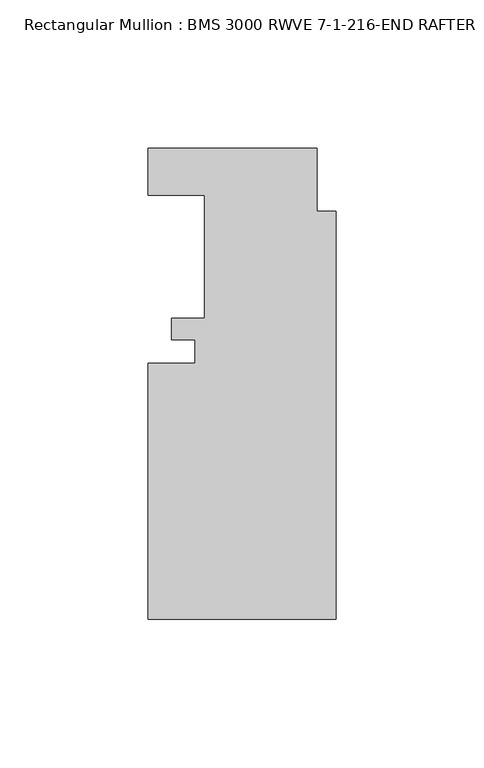
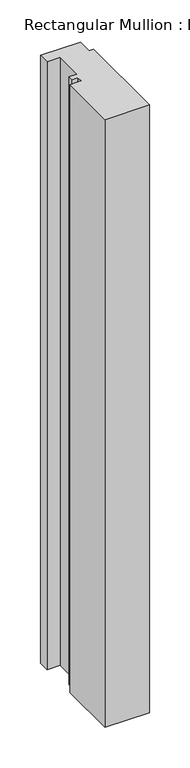
"""IFC4 building model written with IfcOpenShell, lengths in millimetres: member geometry, Rectangular Mullion : BMS 3000 RWVE 7-1-216-END RAFTER."""

from ifc_helpers import new_model, si_unit, frame, origin, place, context, project, spatial, polyline, outline, extrude, source, transform, mapped, element, save


def rectangular_mullion_bms_3000_rwve_7_1_216_end_rafter_7713c6ae(model_context):
    return source(origin(), model_context, "Body", "SweptSolid", [
        extrude(outline(polyline([(-6.35, -15.1495125), (0.0, -15.1495125), (0.0, -152.9953125), (-63.5, -152.9953125), (-63.5, -66.4575125), (-47.625, -66.4575125), (-47.625, -58.5581125), (-55.5752, -58.5581125), (-55.5752, -51.3953125), (-44.45, -51.3953125), (-44.45, -9.7393125), (-63.5, -9.7393125), (-63.5, 6.1356875), (-6.35, 6.1356875), (-6.35, -15.1495125)])), frame((0.0, 0.0, -914.4), z_axis=(0.0, 0.0, 1.0), x_axis=(1.0, 0.0, 0.0)), (0.0, 0.0, 1.0), 914.4),
    ])


if __name__ == "__main__":
    model = new_model("IFC4")
    model_context = context("Model", 3, world=origin())
    ifc_project = project(units=[si_unit("LENGTHUNIT", "METRE", prefix="MILLI")], contexts=[model_context])
    site = spatial("IfcSite", under=ifc_project)
    building = spatial("IfcBuilding", under=site)
    placement = place(None, origin())
    rectangular_mullion_bms_3000_rwve_7_1_216_end_rafter_shape = rectangular_mullion_bms_3000_rwve_7_1_216_end_rafter_7713c6ae(model_context)
    element("IfcMember", 1, ObjectType="Rectangular Mullion : BMS 3000 RWVE 7-1-216-END RAFTER", at=placement, inside=building, context=model_context, shape_type="MappedRepresentation", body=[
        mapped(rectangular_mullion_bms_3000_rwve_7_1_216_end_rafter_shape, transform((0.0, 0.0, 0.0), x_axis=(1.0, 0.0, 0.0), y_axis=(0.0, 1.0, 0.0), z_axis=(0.0, 0.0, 1.0))),
    ])
    save(model, "model.ifc")
